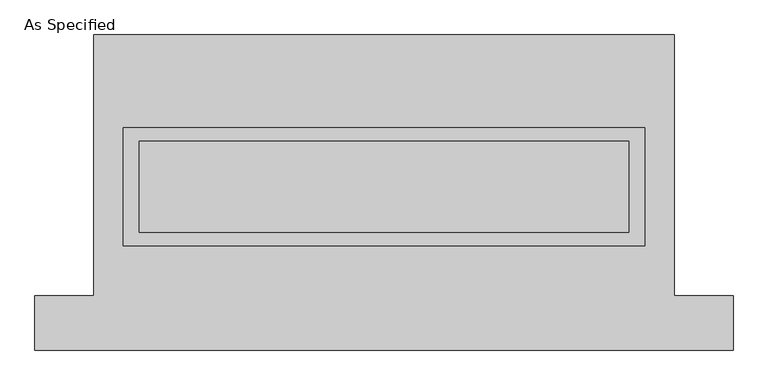
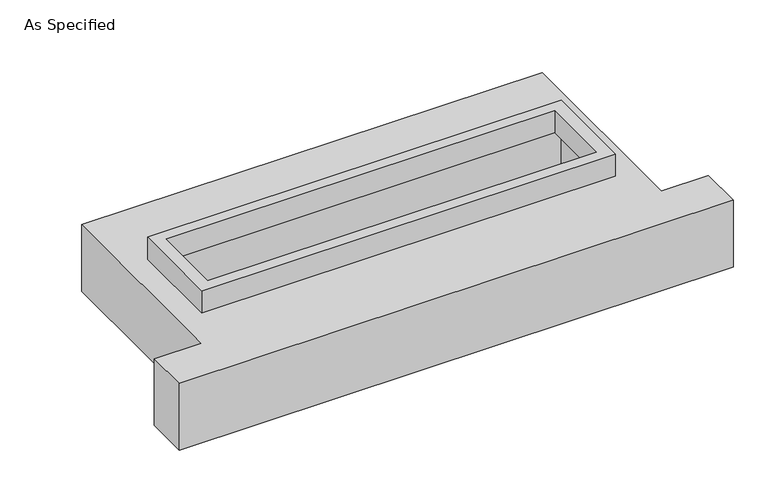
"""IFC4 building model written with IfcOpenShell, lengths in millimetres: proxy geometry, As Specified."""

from ifc_helpers import new_model, si_unit, frame, origin, place, context, project, spatial, polyline, outline, extrude, faceted_brep, source, transform, mapped, element, save


def as_specified_4f374fed(model_context):
    return source(origin(), model_context, "Body", "SolidModel", [
        extrude(outline(polyline([(1460.5, 361.95), (1460.5, -298.45), (-1460.5, -298.45), (-1460.5, 361.95), (1460.5, 361.95)]), holes=[polyline([(1371.6, 285.75), (-1371.6, 285.75), (-1371.6, -222.25), (1371.6, -222.25), (1371.6, 285.75)])]), frame((0.0, 0.0, -25.4), z_axis=(0.0, 0.0, 1.0), x_axis=(1.0, 0.0, 0.0)), (0.0, 0.0, 1.0), 165.1),
        faceted_brep([(-1625.6, 882.65, -523.875), (1625.6, 882.65, -523.875), (1625.6, -577.85, -523.875), (1955.8, -577.85, -523.875), (1955.8, -882.65, -523.875), (-1955.8, -882.65, -523.875), (-1955.8, -577.85, -523.875), (-1625.6, -577.85, -523.875), (1625.6, 882.65, -25.4), (-1625.6, 882.65, -25.4), (-1625.6, -577.85, -25.4), (-1955.8, -577.85, -25.4), (-1955.8, -882.65, -25.4), (1955.8, -882.65, -25.4), (1955.8, -577.85, -25.4), (1625.6, -577.85, -25.4), (-1460.5, -298.45, -25.4), (-1460.5, 361.95, -25.4), (1460.5, 361.95, -25.4), (1460.5, -298.45, -25.4), (1460.5, 361.95, -498.475), (-1460.5, 361.95, -498.475), (-1460.5, -298.45, -498.475), (1460.5, -298.45, -498.475)], [[[0, 1, 2, 3, 4, 5, 6, 7]], [[8, 9, 10, 11, 12, 13, 14, 15], [16, 17, 18, 19]], [[1, 0, 9, 8]], [[9, 0, 7, 10]], [[1, 8, 15, 2]], [[20, 21, 22, 23]], [[21, 20, 18, 17]], [[23, 22, 16, 19]], [[5, 4, 13, 12]], [[3, 2, 15, 14]], [[4, 3, 14, 13]], [[7, 6, 11, 10]], [[6, 5, 12, 11]], [[22, 21, 17, 16]], [[20, 23, 19, 18]]]),
    ])


if __name__ == "__main__":
    model = new_model("IFC4")
    model_context = context("Model", 3, world=origin())
    ifc_project = project(units=[si_unit("LENGTHUNIT", "METRE", prefix="MILLI")], contexts=[model_context])
    site = spatial("IfcSite", under=ifc_project)
    building = spatial("IfcBuilding", under=site)
    placement = place(None, origin())
    as_specified_shape = as_specified_4f374fed(model_context)
    element("IfcBuildingElementProxy", 1, Name="As Specified", ObjectType="As Specified", at=placement, inside=building, context=model_context, shape_type="MappedRepresentation", body=[
        mapped(as_specified_shape, transform((0.0, 0.0, 0.0), x_axis=(1.0, 0.0, 0.0), y_axis=(0.0, 1.0, 0.0), z_axis=(0.0, 0.0, 1.0))),
    ])
    save(model, "model.ifc")
